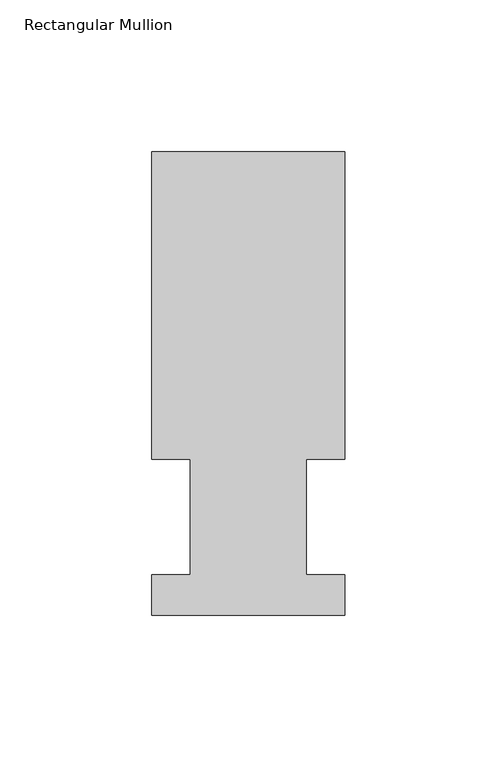
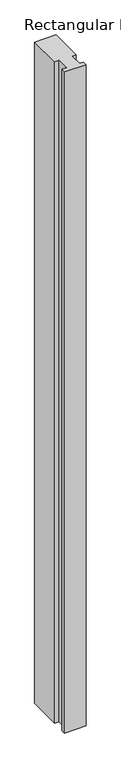
"""IFC4 building model written with IfcOpenShell, lengths in millimetres: member geometry, Rectangular Mullion."""

from ifc_helpers import new_model, si_unit, frame, origin, place, context, project, spatial, polyline, outline, extrude, source, transform, mapped, element, save


def rectangular_mullion_e10ff9e6(model_context):
    return source(origin(), model_context, "Body", "SweptSolid", [
        extrude(outline(polyline([(31.7499998, 152.4896938), (31.7499998, 51.2960937), (19.0499994, 51.2960937), (19.0499994, 13.1960938), (31.7499998, 13.1960938), (31.7499998, 0.0134938), (-31.7500002, 0.0134938), (-31.7500002, 13.1960938), (-19.0499998, 13.1960938), (-19.0499998, 51.2960937), (-31.7499998, 51.2960937), (-31.7499998, 152.4896938), (31.7499998, 152.4896938)])), frame((0.0, 0.0, -2057.4), z_axis=(0.0, 0.0, 1.0), x_axis=(1.0, 0.0, 0.0)), (0.0, 0.0, 1.0), 2057.4),
    ])


if __name__ == "__main__":
    model = new_model("IFC4")
    model_context = context("Model", 3, world=origin())
    ifc_project = project(units=[si_unit("LENGTHUNIT", "METRE", prefix="MILLI")], contexts=[model_context])
    site = spatial("IfcSite", under=ifc_project)
    building = spatial("IfcBuilding", under=site)
    placement = place(None, origin())
    rectangular_mullion_shape = rectangular_mullion_e10ff9e6(model_context)
    element("IfcMember", 1, ObjectType="Rectangular Mullion", at=placement, inside=building, context=model_context, shape_type="MappedRepresentation", body=[
        mapped(rectangular_mullion_shape, transform((0.0, 0.0, 0.0), x_axis=(1.0, 0.0, 0.0), y_axis=(0.0, 1.0, 0.0), z_axis=(0.0, 0.0, 1.0))),
    ])
    save(model, "model.ifc")
